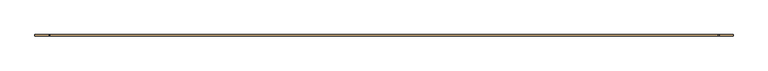
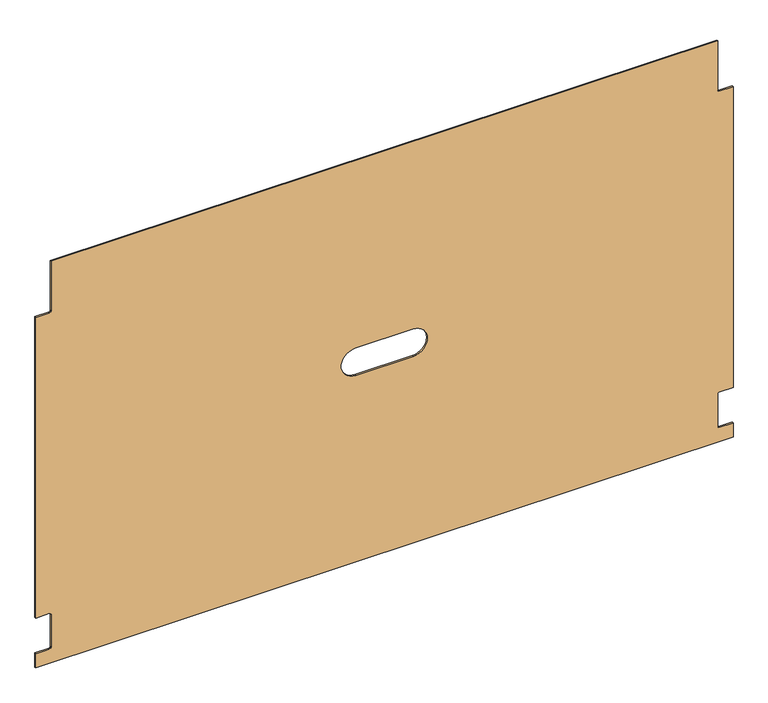
"""IFC4 building model written with IfcOpenShell, lengths in millimetres: door geometry."""

from ifc_helpers import new_model, si_unit, point, frame, frame_2d, origin, place, context, project, spatial, polyline, circle_curve, trimmed, segment, composite_curve, outline, extrude, source, transform, mapped, element, save


def door_243bb76a(model_context):
    return source(origin(), model_context, "Body", "SweptSolid", [
        extrude(outline(composite_curve([segment(trimmed(circle_curve(frame_2d((688.1316256, -489.4197171)), 3.175), [point((688.1316256, -486.2447171))], [point((684.9566256, -489.4197171))], True, "CARTESIAN"), True, "CONTINUOUS"), segment(polyline([(684.9566256, -489.4197171), (684.9566256, -513.6132171), (121.3520123, -513.6132171), (121.3520123, -489.4197171)]), True, "CONTINUOUS"), segment(trimmed(circle_curve(frame_2d((118.1770123, -489.4197171)), 3.175), [point((121.3520123, -489.4197171))], [point((118.1770123, -486.2447171))], True, "CARTESIAN"), True, "CONTINUOUS"), segment(polyline([(118.1770123, -486.2447171), (57.8520123, -486.2447171)]), True, "CONTINUOUS"), segment(trimmed(circle_curve(frame_2d((57.8520123, -489.4197171)), 3.175), [point((57.8520123, -486.2447171))], [point((54.6770123, -489.4197171))], True, "CARTESIAN"), True, "CONTINUOUS"), segment(polyline([(54.6770123, -489.4197171), (54.6770123, -513.6132171), (28.0705123, -513.6132171), (28.0705123, 721.9615304), (54.6770123, 721.9615304), (54.6770123, 697.7680304)]), True, "CONTINUOUS"), segment(trimmed(circle_curve(frame_2d((57.8520123, 697.7680304)), 3.175), [point((54.6770123, 697.7680304))], [point((57.8520123, 694.5930304))], True, "CARTESIAN"), True, "CONTINUOUS"), segment(polyline([(57.8520123, 694.5930304), (118.1770123, 694.5930304)]), True, "CONTINUOUS"), segment(trimmed(circle_curve(frame_2d((118.1770123, 697.7680304)), 3.175), [point((118.1770123, 694.5930304))], [point((121.3520123, 697.7680304))], True, "CARTESIAN"), True, "CONTINUOUS"), segment(polyline([(121.3520123, 697.7680304), (121.3520123, 721.9615304), (684.9566256, 721.9615304), (684.9566256, 697.7680304)]), True, "CONTINUOUS"), segment(trimmed(circle_curve(frame_2d((688.1316256, 697.7680304)), 3.175), [point((684.9566256, 697.7680304))], [point((688.1316256, 694.5930304))], True, "CARTESIAN"), True, "CONTINUOUS"), segment(polyline([(688.1316256, 694.5930304), (780.4566124, 694.5930304), (780.4566124, -486.2447171), (688.1316256, -486.2447171)]), True, "CONTINUOUS")], self_intersect=False), holes=[composite_curve([segment(polyline([(428.6793124, 53.3741567), (428.6793124, 154.9741567)]), True, "CONTINUOUS"), segment(trimmed(circle_curve(frame_2d((403.2793124, 154.9741567)), 25.4), [point((428.6793124, 154.9741567))], [point((377.8793124, 154.9741567))], True, "CARTESIAN"), True, "CONTINUOUS"), segment(polyline([(377.8793124, 154.9741567), (377.8793124, 53.3741567)]), True, "CONTINUOUS"), segment(trimmed(circle_curve(frame_2d((403.2793124, 53.3741567)), 25.4), [point((377.8793124, 53.3741567))], [point((428.6793124, 53.3741567))], True, "CARTESIAN"), True, "CONTINUOUS")], self_intersect=False)]), frame((0.0, -2.2388125, 0.0), z_axis=(0.0, 1.0, 0.0), x_axis=(0.0, 0.0, 1.0)), (0.0, 0.0, 1.0), 2.2388125),
    ])


if __name__ == "__main__":
    model = new_model("IFC4")
    model_context = context("Model", 3, world=origin())
    ifc_project = project(units=[si_unit("LENGTHUNIT", "METRE", prefix="MILLI")], contexts=[model_context])
    site = spatial("IfcSite", under=ifc_project)
    building = spatial("IfcBuilding", under=site)
    placement = place(None, origin())
    door_shape = door_243bb76a(model_context)
    element("IfcDoor", 1, at=placement, inside=building, context=model_context, shape_type="MappedRepresentation", body=[
        mapped(door_shape, transform((0.0, 0.0, 0.0), x_axis=(1.0, 0.0, 0.0), y_axis=(0.0, 1.0, 0.0), z_axis=(0.0, 0.0, 1.0))),
    ])
    save(model, "model.ifc")
